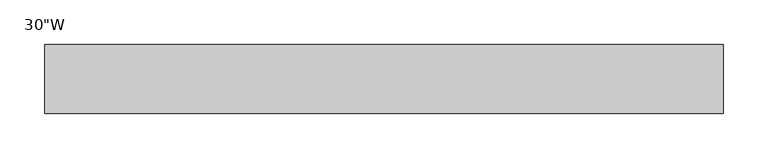
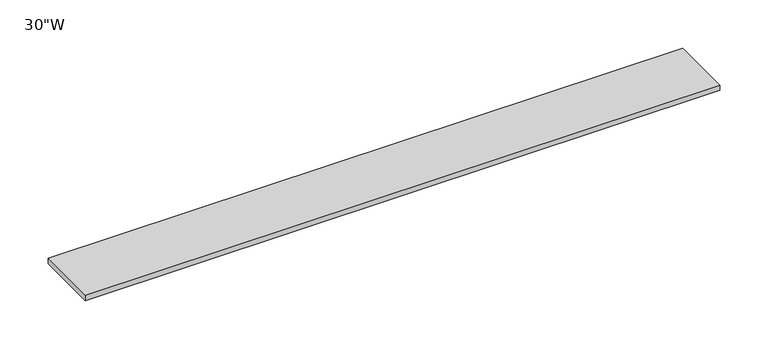
"""IFC4 building model written with IfcOpenShell, lengths in millimetres: furniture geometry."""

from ifc_helpers import new_model, si_unit, frame, origin, place, context, project, spatial, polyline, outline, extrude, source, transform, mapped, element, save


def furniture_8e7067c1(model_context):
    return source(origin(), model_context, "Body", "SweptSolid", [
        extrude(outline(polyline([(325.01205, 38.735), (325.01205, -38.735), (-436.98795, -38.735), (-436.98795, 38.735), (325.01205, 38.735)])), frame((0.0, 0.0, 1607.566), z_axis=(0.0, 0.0, 1.0), x_axis=(1.0, 0.0, 0.0)), (0.0, 0.0, 1.0), 6.858),
    ])


if __name__ == "__main__":
    model = new_model("IFC4")
    model_context = context("Model", 3, world=origin())
    ifc_project = project(units=[si_unit("LENGTHUNIT", "METRE", prefix="MILLI")], contexts=[model_context])
    site = spatial("IfcSite", under=ifc_project)
    building = spatial("IfcBuilding", under=site)
    placement = place(None, origin())
    furniture_shape = furniture_8e7067c1(model_context)
    element("IfcFurniture", 1, ObjectType="30\"W", at=placement, inside=building, context=model_context, shape_type="MappedRepresentation", body=[
        mapped(furniture_shape, transform((0.0, 0.0, 0.0), x_axis=(1.0, 0.0, 0.0), y_axis=(0.0, 1.0, 0.0), z_axis=(0.0, 0.0, 1.0))),
    ])
    save(model, "model.ifc")
